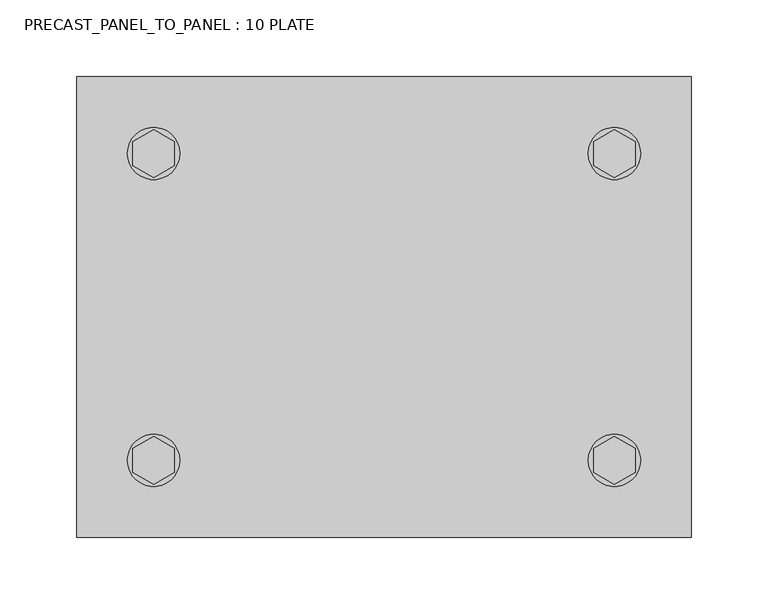
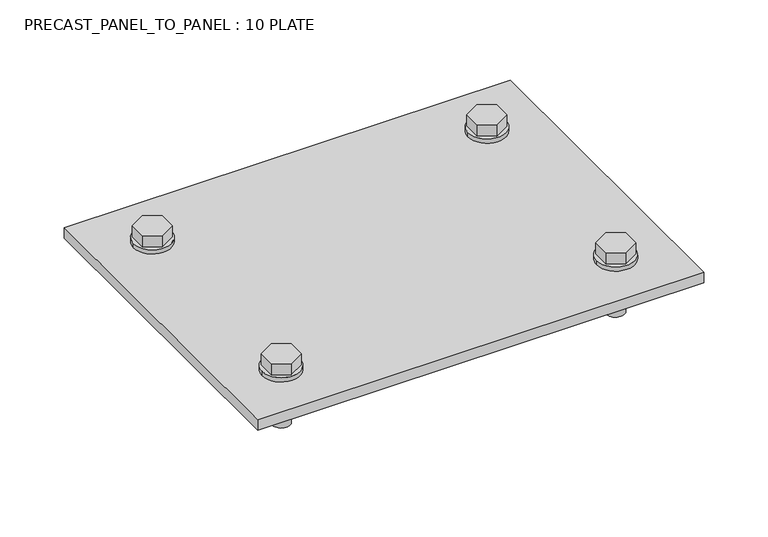
"""IFC4 building model written with IfcOpenShell, lengths in millimetres: fastener geometry, PRECAST_PANEL_TO_PANEL : 10 PLATE."""

from ifc_helpers import new_model, si_unit, point, frame, frame_2d, origin, origin_with_axes, place, context, project, spatial, polyline, circle_curve, trimmed, segment, composite_curve, outline, extrude, source, transform, mapped, element, save


def precast_panel_to_panel_10_plate_d165d18a(model_context):
    return source(origin(), model_context, "Body", "SweptSolid", [
        extrude(outline(composite_curve([segment(trimmed(circle_curve(frame_2d((150.0, -100.0)), 17.0), [point((133.0, -100.0))], [point((167.0, -100.0))], False, "CARTESIAN"), True, "CONTINUOUS"), segment(trimmed(circle_curve(frame_2d((150.0, -100.0)), 17.0), [point((167.0, -100.0))], [point((133.0, -100.0))], False, "CARTESIAN"), True, "CONTINUOUS")], self_intersect=False)), frame((0.0, 0.0, 10.0), z_axis=(0.0, 0.0, 1.0), x_axis=(1.0, 0.0, 0.0)), (0.0, 0.0, 1.0), 4.0),
        extrude(outline(polyline([(150.0, -84.4115427), (163.5, -92.2057714), (163.5, -107.7942286), (150.0, -115.5884573), (136.5, -107.7942286), (136.5, -92.2057714), (150.0, -84.4115427)])), frame((0.0, 0.0, 14.0), z_axis=(0.0, 0.0, 1.0), x_axis=(1.0, 0.0, 0.0)), (0.0, 0.0, 1.0), 11.0),
        extrude(outline(composite_curve([segment(trimmed(circle_curve(frame_2d((150.0, -100.0)), 8.0), [point((142.0, -100.0))], [point((158.0, -100.0))], False, "CARTESIAN"), True, "CONTINUOUS"), segment(trimmed(circle_curve(frame_2d((150.0, -100.0)), 8.0), [point((158.0, -100.0))], [point((142.0, -100.0))], False, "CARTESIAN"), True, "CONTINUOUS")], self_intersect=False)), frame((0.0, 0.0, -40.0), z_axis=(0.0, 0.0, 1.0), x_axis=(1.0, 0.0, 0.0)), (0.0, 0.0, 1.0), 50.0),
        extrude(outline(composite_curve([segment(trimmed(circle_curve(frame_2d((-150.0, -100.0)), 17.0), [point((-167.0, -100.0))], [point((-133.0, -100.0))], False, "CARTESIAN"), True, "CONTINUOUS"), segment(trimmed(circle_curve(frame_2d((-150.0, -100.0)), 17.0), [point((-133.0, -100.0))], [point((-167.0, -100.0))], False, "CARTESIAN"), True, "CONTINUOUS")], self_intersect=False)), frame((0.0, 0.0, 10.0), z_axis=(0.0, 0.0, 1.0), x_axis=(1.0, 0.0, 0.0)), (0.0, 0.0, 1.0), 4.0),
        extrude(outline(polyline([(-150.0, -84.4115427), (-136.5, -92.2057714), (-136.5, -107.7942286), (-150.0, -115.5884573), (-163.5, -107.7942286), (-163.5, -92.2057714), (-150.0, -84.4115427)])), frame((0.0, 0.0, 14.0), z_axis=(0.0, 0.0, 1.0), x_axis=(1.0, 0.0, 0.0)), (0.0, 0.0, 1.0), 11.0),
        extrude(outline(composite_curve([segment(trimmed(circle_curve(frame_2d((-150.0, -100.0)), 8.0), [point((-158.0, -100.0))], [point((-142.0, -100.0))], False, "CARTESIAN"), True, "CONTINUOUS"), segment(trimmed(circle_curve(frame_2d((-150.0, -100.0)), 8.0), [point((-142.0, -100.0))], [point((-158.0, -100.0))], False, "CARTESIAN"), True, "CONTINUOUS")], self_intersect=False)), frame((0.0, 0.0, -40.0), z_axis=(0.0, 0.0, 1.0), x_axis=(1.0, 0.0, 0.0)), (0.0, 0.0, 1.0), 50.0),
        extrude(outline(composite_curve([segment(trimmed(circle_curve(frame_2d((150.0, 100.0)), 17.0), [point((133.0, 100.0))], [point((167.0, 100.0))], False, "CARTESIAN"), True, "CONTINUOUS"), segment(trimmed(circle_curve(frame_2d((150.0, 100.0)), 17.0), [point((167.0, 100.0))], [point((133.0, 100.0))], False, "CARTESIAN"), True, "CONTINUOUS")], self_intersect=False)), frame((0.0, 0.0, 10.0), z_axis=(0.0, 0.0, 1.0), x_axis=(1.0, 0.0, 0.0)), (0.0, 0.0, 1.0), 4.0),
        extrude(outline(polyline([(150.0, 115.5884573), (163.5, 107.7942286), (163.5, 92.2057714), (150.0, 84.4115427), (136.5, 92.2057714), (136.5, 107.7942286), (150.0, 115.5884573)])), frame((0.0, 0.0, 14.0), z_axis=(0.0, 0.0, 1.0), x_axis=(1.0, 0.0, 0.0)), (0.0, 0.0, 1.0), 11.0),
        extrude(outline(composite_curve([segment(trimmed(circle_curve(frame_2d((150.0, 100.0)), 8.0), [point((142.0, 100.0))], [point((158.0, 100.0))], False, "CARTESIAN"), True, "CONTINUOUS"), segment(trimmed(circle_curve(frame_2d((150.0, 100.0)), 8.0), [point((158.0, 100.0))], [point((142.0, 100.0))], False, "CARTESIAN"), True, "CONTINUOUS")], self_intersect=False)), frame((0.0, 0.0, -40.0), z_axis=(0.0, 0.0, 1.0), x_axis=(1.0, 0.0, 0.0)), (0.0, 0.0, 1.0), 50.0),
        extrude(outline(composite_curve([segment(trimmed(circle_curve(frame_2d((-150.0, 100.0)), 17.0), [point((-167.0, 100.0))], [point((-133.0, 100.0))], False, "CARTESIAN"), True, "CONTINUOUS"), segment(trimmed(circle_curve(frame_2d((-150.0, 100.0)), 17.0), [point((-133.0, 100.0))], [point((-167.0, 100.0))], False, "CARTESIAN"), True, "CONTINUOUS")], self_intersect=False)), frame((0.0, 0.0, 10.0), z_axis=(0.0, 0.0, 1.0), x_axis=(1.0, 0.0, 0.0)), (0.0, 0.0, 1.0), 4.0),
        extrude(outline(polyline([(-150.0, 115.5884573), (-136.5, 107.7942286), (-136.5, 92.2057714), (-150.0, 84.4115427), (-163.5, 92.2057714), (-163.5, 107.7942286), (-150.0, 115.5884573)])), frame((0.0, 0.0, 14.0), z_axis=(0.0, 0.0, 1.0), x_axis=(1.0, 0.0, 0.0)), (0.0, 0.0, 1.0), 11.0),
        extrude(outline(composite_curve([segment(trimmed(circle_curve(frame_2d((-150.0, 100.0)), 8.0), [point((-158.0, 100.0))], [point((-142.0, 100.0))], False, "CARTESIAN"), True, "CONTINUOUS"), segment(trimmed(circle_curve(frame_2d((-150.0, 100.0)), 8.0), [point((-142.0, 100.0))], [point((-158.0, 100.0))], False, "CARTESIAN"), True, "CONTINUOUS")], self_intersect=False)), frame((0.0, 0.0, -40.0), z_axis=(0.0, 0.0, 1.0), x_axis=(1.0, 0.0, 0.0)), (0.0, 0.0, 1.0), 50.0),
        extrude(outline(polyline([(200.0, 150.0), (200.0, -150.0), (-200.0, -150.0), (-200.0, 150.0), (200.0, 150.0)])), origin_with_axes(), (0.0, 0.0, 1.0), 10.0),
    ])


if __name__ == "__main__":
    model = new_model("IFC4")
    model_context = context("Model", 3, world=origin())
    ifc_project = project(units=[si_unit("LENGTHUNIT", "METRE", prefix="MILLI")], contexts=[model_context])
    site = spatial("IfcSite", under=ifc_project)
    building = spatial("IfcBuilding", under=site)
    placement = place(None, origin())
    precast_panel_to_panel_10_plate_shape = precast_panel_to_panel_10_plate_d165d18a(model_context)
    element("IfcFastener", 1, ObjectType="PRECAST_PANEL_TO_PANEL : 10 PLATE", at=placement, inside=building, context=model_context, shape_type="MappedRepresentation", body=[
        mapped(precast_panel_to_panel_10_plate_shape, transform((0.0, 0.0, 0.0), x_axis=(1.0, 0.0, 0.0), y_axis=(0.0, 1.0, 0.0), z_axis=(0.0, 0.0, 1.0))),
    ])
    save(model, "model.ifc")
